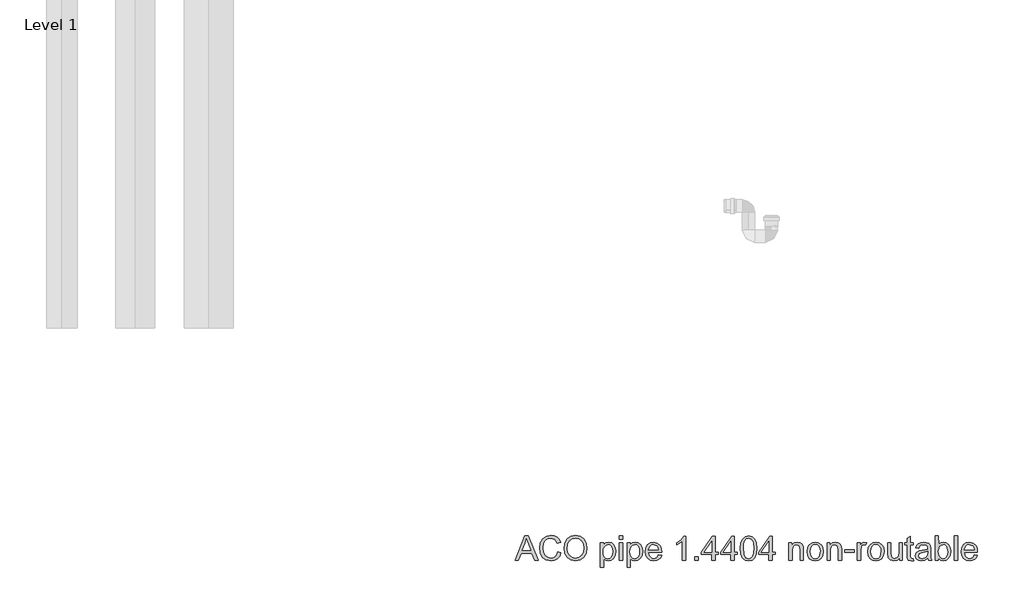
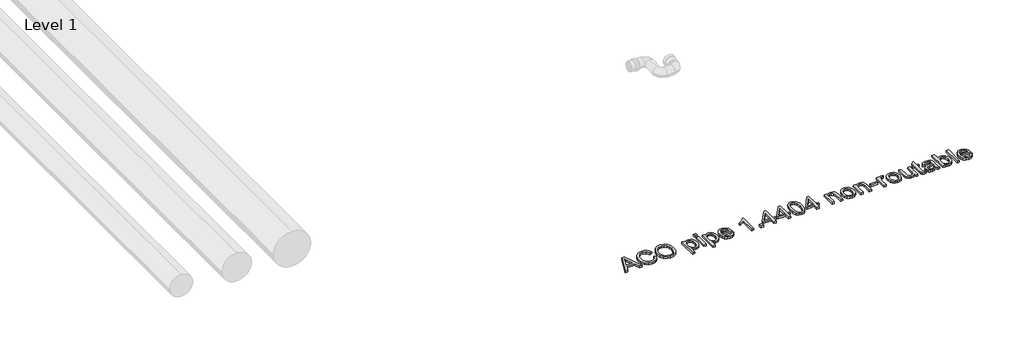
# One storey, part 11 of 13: 1 proxy.
"""IFC4 building model written with IfcOpenShell, lengths in millimetres."""

from ifc_helpers import new_model, si_unit, origin, origin_with_axes, place, context, project, spatial, polyline, outline, extrude, element, save

model = new_model("IFC4")

# Units and contexts
model_context = context("Model", 3, world=origin())
ifc_project = project(units=[si_unit("LENGTHUNIT", "METRE", prefix="MILLI")], contexts=[model_context])

# Site, building, storey
site = spatial("IfcSite", under=ifc_project)
building = spatial("IfcBuilding", under=site)
storey = spatial("IfcBuildingStorey", under=building, Name="Level 1", Elevation=0.0)

# Proxy
placement = place(None, origin())
element("IfcBuildingElementProxy", 1, Name="100mm ACO", ObjectType="100mm ACO", at=placement, inside=storey, context=model_context, shape_type="SweptSolid", body=[
    extrude(outline(polyline([(20667.5794394, -10719.2114353), (20653.7773561, -10719.2114353), (20641.7981894, -10689.5818057), (20599.3502728, -10689.5818057), (20587.8340691, -10719.2114353), (20574.0609209, -10719.2114353), (20612.9208746, -10619.2114353), (20627.0991154, -10619.2114353), (20667.5794394, -10719.2114353)]), holes=[polyline([(20637.2843005, -10678.4706946), (20622.8601107, -10641.8098149), (20619.8942542, -10630.1489353), (20615.2356894, -10648.7253242), (20603.6905505, -10678.4706946), (20637.2843005, -10678.4706946)])]), origin_with_axes(), (0.0, 0.0, 1.0), 10.0),
    extrude(outline(polyline([(20761.5609209, -10687.3827316), (20755.6472924, -10702.2083971), (20746.5290922, -10712.7154862), (20734.7416211, -10718.9763369), (20720.8201802, -10721.0632872), (20699.9145089, -10717.2076737), (20685.5771246, -10705.6408335), (20677.2871941, -10688.648646), (20674.5238839, -10668.5169909), (20677.7682415, -10647.1302721), (20687.5013144, -10630.9446529), (20702.3342137, -10620.7558508), (20720.8780505, -10617.3595835), (20734.1918526, -10619.1716494), (20745.4295552, -10624.6078473), (20754.09926, -10633.5379689), (20759.7090691, -10645.8318057), (20746.7461061, -10648.8410649), (20736.8936755, -10633.5777548), (20720.3861524, -10628.4706946), (20706.1645089, -10631.1797513), (20695.8491154, -10639.3069214), (20689.577414, -10651.9913832), (20687.4868468, -10668.3723149), (20689.7003885, -10686.7353068), (20696.3410135, -10699.6946529), (20706.5406663, -10707.3877953), (20719.4312913, -10709.9521761), (20729.9998677, -10708.3354226), (20738.3838376, -10703.4851622), (20744.583201, -10695.3869272), (20748.5979579, -10684.0262501), (20761.5609209, -10687.3827316)])), origin_with_axes(), (0.0, 0.0, 1.0), 10.0),
    extrude(outline(polyline([(20820.9069857, -10617.3595835), (20839.3965691, -10620.9330788), (20854.1824487, -10631.6535649), (20863.8829695, -10648.2261923), (20867.1164765, -10669.3561112), (20863.864885, -10690.3956078), (20854.1101107, -10706.8705788), (20839.3061466, -10717.5151101), (20820.9069857, -10721.0632872), (20802.0340112, -10717.3849017), (20787.2553654, -10706.3497455), (20777.7067542, -10690.0194504), (20774.5238839, -10670.4556483), (20777.750157, -10648.3744851), (20787.4289765, -10631.5522918), (20802.2510251, -10620.9077605), (20820.9069857, -10617.3595835)]), holes=[polyline([(20820.791245, -10709.9521761), (20834.2316385, -10707.2684376), (20844.8653191, -10699.2172223), (20851.8025297, -10686.3844677), (20854.1535135, -10669.3561112), (20851.7989128, -10651.9479804), (20844.7351107, -10639.0754399), (20834.1050471, -10631.1218809), (20821.0516616, -10628.4706946), (20807.7053075, -10631.0676274), (20796.9486524, -10638.8584261), (20789.8522982, -10652.0167015), (20787.4868468, -10670.7160649), (20789.8016616, -10686.5978647), (20796.7461061, -10699.1159492), (20807.3870204, -10707.2431193), (20820.791245, -10709.9521761)])]), origin_with_axes(), (0.0, 0.0, 1.0), 10.0),
    extrude(outline(polyline([(20935.7652033, -10655.6987038), (20944.2215112, -10647.7776969), (20955.8896246, -10645.1373612), (20968.2160135, -10647.7270603), (20977.6488839, -10655.4961575), (20983.6384672, -10667.4246876), (20985.634995, -10682.4926853), (20983.3780505, -10698.3817189), (20976.6072172, -10710.6321529), (20966.5522404, -10718.4555036), (20954.4428654, -10721.0632872), (20944.0696015, -10718.9365511), (20935.9822172, -10712.5563427), (20935.634995, -10746.9892131), (20922.672032, -10746.9892131), (20922.672032, -10646.9892131), (20935.634995, -10646.9892131), (20935.7652033, -10655.6987038)]), holes=[polyline([(20953.0250413, -10711.8040279), (20960.7977554, -10709.9774943), (20967.1020089, -10704.4978936), (20971.2795262, -10695.4013948), (20972.672032, -10682.7241668), (20971.3301628, -10670.6473439), (20967.3045552, -10661.7316899), (20961.1883804, -10656.2303879), (20953.5748098, -10654.3966205), (20945.6935887, -10656.4401679), (20939.3531663, -10662.5708103), (20935.1756489, -10671.956661), (20933.7831431, -10683.7658335), (20935.1177785, -10695.8788254), (20939.1216848, -10704.6715048), (20945.2667948, -10710.0208971), (20953.0250413, -10711.8040279)])]), origin_with_axes(), (0.0, 0.0, 1.0), 10.0),
    extrude(outline(polyline([(21013.4127728, -10719.2114353), (21000.4498098, -10719.2114353), (21000.4498098, -10646.9892131), (21013.4127728, -10646.9892131), (21013.4127728, -10719.2114353)])), origin_with_axes(), (0.0, 0.0, 1.0), 10.0),
    extrude(outline(polyline([(21013.4127728, -10632.1743983), (21000.4498098, -10632.1743983), (21000.4498098, -10619.2114353), (21013.4127728, -10619.2114353), (21013.4127728, -10632.1743983)])), origin_with_axes(), (0.0, 0.0, 1.0), 10.0),
    extrude(outline(polyline([(21045.0244626, -10655.6987038), (21053.4807704, -10647.7776969), (21065.1488839, -10645.1373612), (21077.4752728, -10647.7270603), (21086.9081431, -10655.4961575), (21092.8977265, -10667.4246876), (21094.8942542, -10682.4926853), (21092.6373098, -10698.3817189), (21085.8664765, -10710.6321529), (21075.8114996, -10718.4555036), (21063.7021246, -10721.0632872), (21053.3288607, -10718.9365511), (21045.2414765, -10712.5563427), (21044.8942542, -10746.9892131), (21031.9312913, -10746.9892131), (21031.9312913, -10646.9892131), (21044.8942542, -10646.9892131), (21045.0244626, -10655.6987038)]), holes=[polyline([(21062.2843005, -10711.8040279), (21070.0570147, -10709.9774943), (21076.3612681, -10704.4978936), (21080.5387855, -10695.4013948), (21081.9312913, -10682.7241668), (21080.5894221, -10670.6473439), (21076.5638144, -10661.7316899), (21070.4476397, -10656.2303879), (21062.8340691, -10654.3966205), (21054.952848, -10656.4401679), (21048.6124255, -10662.5708103), (21044.4349082, -10671.956661), (21043.0424024, -10683.7658335), (21044.3770378, -10695.8788254), (21048.3809441, -10704.6715048), (21054.526054, -10710.0208971), (21062.2843005, -10711.8040279)])]), origin_with_axes(), (0.0, 0.0, 1.0), 10.0),
    extrude(outline(polyline([(21172.672032, -10685.878102), (21118.9683283, -10685.878102), (21121.040811, -10697.0036807), (21125.7536292, -10705.1489353), (21132.5353133, -10710.1402548), (21140.8143931, -10711.8040279), (21152.4897404, -10708.1147918), (21159.7090691, -10696.9892131), (21172.672032, -10698.4938427), (21168.2955853, -10708.1147918), (21161.3583746, -10715.2183798), (21152.1135829, -10719.6020603), (21140.8143931, -10721.0632872), (21126.2274429, -10718.5567767), (21115.2212218, -10711.0372455), (21108.3093295, -10699.1774365), (21106.0053654, -10683.6500927), (21108.2261408, -10668.1118983), (21114.8884672, -10655.8144446), (21125.5872519, -10647.8066321), (21139.9174024, -10645.1373612), (21155.1373098, -10648.5951159), (21167.5649718, -10660.3717362), (21171.395267, -10670.9077605), (21172.672032, -10685.878102)]), holes=[polyline([(21159.7090691, -10676.6188427), (21157.6257357, -10666.4625927), (21152.8803654, -10659.6049538), (21139.5991154, -10654.3966205), (21131.7432126, -10655.9446529), (21125.4208746, -10660.5887501), (21118.9683283, -10676.6188427), (21159.7090691, -10676.6188427)])]), origin_with_axes(), (0.0, 0.0, 1.0), 10.0),
    extrude(outline(polyline([(21270.8201802, -10719.2114353), (21257.8572172, -10719.2114353), (21257.8572172, -10641.4336575), (21233.7831431, -10656.2484723), (21233.7831431, -10646.9892131), (21252.0557126, -10635.2704631), (21263.4127728, -10621.0632872), (21270.8201802, -10621.0632872), (21270.8201802, -10719.2114353)])), origin_with_axes(), (0.0, 0.0, 1.0), 10.0),
    extrude(outline(polyline([(21322.672032, -10719.2114353), (21307.8572172, -10719.2114353), (21307.8572172, -10704.3966205), (21322.672032, -10704.3966205), (21322.672032, -10719.2114353)])), origin_with_axes(), (0.0, 0.0, 1.0), 10.0),
    extrude(outline(polyline([(21404.1535135, -10695.1373612), (21391.1905505, -10695.1373612), (21391.1905505, -10719.2114353), (21378.2275876, -10719.2114353), (21378.2275876, -10695.1373612), (21335.634995, -10695.1373612), (21335.634995, -10685.878102), (21380.5424024, -10621.0632872), (21391.1905505, -10621.0632872), (21391.1905505, -10685.878102), (21404.1535135, -10685.878102), (21404.1535135, -10695.1373612)]), holes=[polyline([(21378.2275876, -10685.878102), (21378.2275876, -10639.9868983), (21346.4567542, -10685.878102), (21378.2275876, -10685.878102)])]), origin_with_axes(), (0.0, 0.0, 1.0), 10.0),
    extrude(outline(polyline([(21481.9312913, -10695.1373612), (21468.9683283, -10695.1373612), (21468.9683283, -10719.2114353), (21456.0053654, -10719.2114353), (21456.0053654, -10695.1373612), (21413.4127728, -10695.1373612), (21413.4127728, -10685.878102), (21458.3201802, -10621.0632872), (21468.9683283, -10621.0632872), (21468.9683283, -10685.878102), (21481.9312913, -10685.878102), (21481.9312913, -10695.1373612)]), holes=[polyline([(21456.0053654, -10685.878102), (21456.0053654, -10639.9868983), (21424.234532, -10685.878102), (21456.0053654, -10685.878102)])]), origin_with_axes(), (0.0, 0.0, 1.0), 10.0),
    extrude(outline(polyline([(21528.1986524, -10619.2114353), (21542.7946449, -10622.3979226), (21553.2203538, -10631.9573844), (21559.4757791, -10647.8898207), (21561.5609209, -10670.1952316), (21559.4052496, -10692.6670198), (21552.9382357, -10708.5198844), (21542.4419973, -10717.9274365), (21528.1986524, -10721.0632872), (21513.6279782, -10717.8840337), (21503.2203538, -10708.3462733), (21496.9757791, -10692.4500059), (21494.8942542, -10670.1952316), (21497.0499255, -10647.7270603), (21503.5169394, -10631.8271761), (21513.9987103, -10622.3653705), (21528.1986524, -10619.2114353)]), holes=[polyline([(21528.2275876, -10711.8040279), (21537.0672866, -10709.3698554), (21543.447495, -10702.0673381), (21547.3103422, -10689.2309666), (21548.5979579, -10670.1952316), (21546.3410135, -10645.9764816), (21539.5267774, -10632.8109723), (21528.0829116, -10628.4706946), (21519.2612971, -10630.9482698), (21512.9353422, -10638.3809955), (21509.1267485, -10651.289705), (21507.8572172, -10670.1952316), (21510.1575644, -10694.2548381), (21516.9718005, -10707.4637501), (21528.2275876, -10711.8040279)])]), origin_with_axes(), (0.0, 0.0, 1.0), 10.0),
    extrude(outline(polyline([(21637.4868468, -10695.1373612), (21624.5238839, -10695.1373612), (21624.5238839, -10719.2114353), (21611.5609209, -10719.2114353), (21611.5609209, -10695.1373612), (21568.9683283, -10695.1373612), (21568.9683283, -10685.878102), (21613.8757357, -10621.0632872), (21624.5238839, -10621.0632872), (21624.5238839, -10685.878102), (21637.4868468, -10685.878102), (21637.4868468, -10695.1373612)]), holes=[polyline([(21611.5609209, -10685.878102), (21611.5609209, -10639.9868983), (21579.7900876, -10685.878102), (21611.5609209, -10685.878102)])]), origin_with_axes(), (0.0, 0.0, 1.0), 10.0),
    extrude(outline(polyline([(21752.3016616, -10719.2114353), (21739.3386987, -10719.2114353), (21739.3386987, -10674.2461575), (21735.4758515, -10658.6500927), (21724.7264302, -10654.3966205), (21714.7003885, -10657.1165279), (21707.9874255, -10664.784352), (21706.0053654, -10678.7889816), (21706.0053654, -10719.2114353), (21693.0424024, -10719.2114353), (21693.0424024, -10646.9892131), (21704.1535135, -10646.9892131), (21704.1535135, -10657.0297223), (21714.0493468, -10648.1032177), (21727.3016616, -10645.1373612), (21738.6731894, -10647.1917594), (21747.4694857, -10653.3404862), (21751.4770089, -10662.0789122), (21752.3016616, -10674.6223149), (21752.3016616, -10719.2114353)])), origin_with_axes(), (0.0, 0.0, 1.0), 10.0),
    extrude(outline(polyline([(21800.4208746, -10645.1373612), (21813.5972346, -10647.5317478), (21824.30687, -10654.7149075), (21831.4140748, -10666.310683), (21833.7831431, -10681.9429168), (21831.2187623, -10700.2154862), (21823.52562, -10712.2091205), (21812.6206721, -10718.8497455), (21800.4208746, -10721.0632872), (21787.8304522, -10718.7882582), (21777.0267774, -10711.9631714), (21769.5940517, -10700.1974017), (21767.1164765, -10683.1003242), (21769.510863, -10666.383021), (21776.6940228, -10654.5412964), (21787.4145089, -10647.488345), (21800.4208746, -10645.1373612)]), holes=[polyline([(21800.4208746, -10711.8040279), (21809.2280216, -10709.7966494), (21815.6263144, -10703.774514), (21820.8201802, -10682.6373612), (21819.3517195, -10670.3543751), (21814.9463376, -10661.5146761), (21808.3780505, -10656.1761344), (21800.4208746, -10654.3966205), (21792.3081721, -10656.2014527), (21785.7941385, -10661.6159492), (21781.5081142, -10670.6039411), (21780.0794394, -10683.1292594), (21781.5334325, -10695.6111749), (21785.8954116, -10704.5846992), (21792.4347635, -10709.9991957), (21800.4208746, -10711.8040279)])]), origin_with_axes(), (0.0, 0.0, 1.0), 10.0),
    extrude(outline(polyline([(21907.8572172, -10719.2114353), (21894.8942542, -10719.2114353), (21894.8942542, -10674.2461575), (21891.031407, -10658.6500927), (21880.2819857, -10654.3966205), (21870.2559441, -10657.1165279), (21863.5429811, -10664.784352), (21861.5609209, -10678.7889816), (21861.5609209, -10719.2114353), (21848.5979579, -10719.2114353), (21848.5979579, -10646.9892131), (21859.7090691, -10646.9892131), (21859.7090691, -10657.0297223), (21869.6049024, -10648.1032177), (21882.8572172, -10645.1373612), (21894.228745, -10647.1917594), (21903.0250413, -10653.3404862), (21907.0325644, -10662.0789122), (21907.8572172, -10674.6223149), (21907.8572172, -10719.2114353)])), origin_with_axes(), (0.0, 0.0, 1.0), 10.0),
    extrude(outline(polyline([(21959.7090691, -10685.878102), (21920.8201802, -10685.878102), (21920.8201802, -10676.6188427), (21959.7090691, -10676.6188427), (21959.7090691, -10685.878102)])), origin_with_axes(), (0.0, 0.0, 1.0), 10.0),
    extrude(outline(polyline([(22011.5609209, -10647.9730094), (22007.509995, -10656.2484723), (21999.0030505, -10654.3966205), (21993.2087797, -10656.0242247), (21989.0204116, -10660.9070372), (21985.634995, -10679.1362038), (21985.634995, -10719.2114353), (21972.672032, -10719.2114353), (21972.672032, -10646.9892131), (21983.7831431, -10646.9892131), (21983.7831431, -10657.6952316), (21990.71312, -10648.2768288), (21999.1477265, -10645.1373612), (22011.5609209, -10647.9730094)])), origin_with_axes(), (0.0, 0.0, 1.0), 10.0),
    extrude(outline(polyline([(22048.5690228, -10645.1373612), (22061.7453827, -10647.5317478), (22072.4550181, -10654.7149075), (22079.562223, -10666.310683), (22081.9312913, -10681.9429168), (22079.3669105, -10700.2154862), (22071.6737681, -10712.2091205), (22060.7688202, -10718.8497455), (22048.5690228, -10721.0632872), (22035.9786003, -10718.7882582), (22025.1749255, -10711.9631714), (22017.7421998, -10700.1974017), (22015.2646246, -10683.1003242), (22017.6590112, -10666.383021), (22024.8421709, -10654.5412964), (22035.562657, -10647.488345), (22048.5690228, -10645.1373612)]), holes=[polyline([(22048.5690228, -10711.8040279), (22057.3761698, -10709.7966494), (22063.7744626, -10703.774514), (22068.9683283, -10682.6373612), (22067.4998677, -10670.3543751), (22063.0944857, -10661.5146761), (22056.5261987, -10656.1761344), (22048.5690228, -10654.3966205), (22040.4563202, -10656.2014527), (22033.9422866, -10661.6159492), (22029.6562623, -10670.6039411), (22028.2275876, -10683.1292594), (22029.6815806, -10695.6111749), (22034.0435598, -10704.5846992), (22040.5829116, -10709.9991957), (22048.5690228, -10711.8040279)])]), origin_with_axes(), (0.0, 0.0, 1.0), 10.0),
    extrude(outline(polyline([(22156.0053654, -10719.2114353), (22144.8942542, -10719.2114353), (22144.8942542, -10708.7079631), (22134.6511987, -10717.9744561), (22121.6882357, -10721.0632872), (22107.5678654, -10717.5476622), (22098.916245, -10707.8688427), (22096.7461061, -10691.8676853), (22096.7461061, -10646.9892131), (22109.7090691, -10646.9892131), (22109.7090691, -10687.9614353), (22110.6060598, -10702.0528705), (22115.2935598, -10709.0551853), (22124.3213376, -10711.8040279), (22137.0672866, -10706.8850464), (22141.5486235, -10699.3329631), (22143.0424024, -10686.5146761), (22143.0424024, -10646.9892131), (22156.0053654, -10646.9892131), (22156.0053654, -10719.2114353)])), origin_with_axes(), (0.0, 0.0, 1.0), 10.0),
    extrude(outline(polyline([(22202.3016616, -10720.2241668), (22193.2160135, -10721.0632872), (22181.6274718, -10718.1842362), (22177.1859209, -10710.878102), (22176.3757357, -10698.5517131), (22176.3757357, -10656.2484723), (22167.1164765, -10656.2484723), (22167.1164765, -10646.9892131), (22176.3757357, -10646.9892131), (22176.3757357, -10628.6443057), (22189.3386987, -10621.0632872), (22189.3386987, -10646.9892131), (22200.4498098, -10646.9892131), (22200.4498098, -10656.2484723), (22189.3386987, -10656.2484723), (22189.3386987, -10701.1558798), (22190.3803654, -10709.3734723), (22195.6755042, -10711.8040279), (22200.7102265, -10711.8040279), (22202.3016616, -10720.2241668)])), origin_with_axes(), (0.0, 0.0, 1.0), 10.0),
    extrude(outline(polyline([(22276.3757357, -10719.2114353), (22263.4127728, -10719.2114353), (22259.7090691, -10710.4730094), (22247.2163029, -10718.4157177), (22233.7542079, -10721.0632872), (22223.7679522, -10719.6165279), (22216.1471478, -10715.2762501), (22211.3185887, -10708.5632872), (22209.7090691, -10699.9984723), (22211.2860366, -10691.6904573), (22216.0169394, -10684.9955788), (22224.6468584, -10680.1019156), (22237.9208746, -10677.1975464), (22249.2634672, -10675.4614353), (22259.7090691, -10672.915139), (22259.3763144, -10664.8856251), (22257.437657, -10660.0100464), (22252.2727265, -10655.9446529), (22242.6951802, -10654.3966205), (22230.6147404, -10657.5360881), (22224.5238839, -10669.2114353), (22211.5609209, -10667.6200001), (22215.1163318, -10657.8109723), (22221.7895089, -10650.7797223), (22231.5732184, -10646.5479515), (22244.4602265, -10645.1373612), (22263.7165922, -10649.0002085), (22271.2686755, -10658.3173381), (22272.672032, -10672.3653705), (22272.672032, -10688.8873612), (22273.2218005, -10709.1419909), (22276.3757357, -10719.2114353)]), holes=[polyline([(22259.7090691, -10686.8040279), (22259.7090691, -10682.1743983), (22236.4307126, -10687.4984723), (22226.1117022, -10691.5566321), (22222.672032, -10699.7959261), (22226.3757357, -10708.4186112), (22237.0528191, -10711.8040279), (22252.8658978, -10706.1327316), (22257.9982762, -10698.4649075), (22259.7090691, -10686.8040279)])]), origin_with_axes(), (0.0, 0.0, 1.0), 10.0),
    extrude(outline(polyline([(22304.3271246, -10654.1362038), (22312.6893931, -10647.3870719), (22323.7715691, -10645.1373612), (22336.1956142, -10647.6836575), (22345.8635829, -10655.3225464), (22352.0810309, -10667.0702316), (22354.1535135, -10681.9429168), (22351.8748677, -10698.6783045), (22345.0389302, -10710.9793751), (22335.1503306, -10718.5423092), (22323.7136987, -10721.0632872), (22312.6966269, -10718.5893288), (22304.4139302, -10711.1674538), (22304.1535135, -10719.2114353), (22291.1905505, -10719.2114353), (22291.1905505, -10619.2114353), (22304.1535135, -10619.2114353), (22304.3271246, -10654.1362038)]), holes=[polyline([(22322.4984209, -10711.8040279), (22329.916679, -10709.9123902), (22335.9098792, -10704.237477), (22339.8703827, -10695.1409781), (22341.1905505, -10682.9845835), (22336.3294394, -10662.1078473), (22330.5424024, -10656.3244272), (22322.9035135, -10654.3966205), (22315.2790922, -10656.3859145), (22309.3039765, -10662.3537964), (22304.1535135, -10682.4926853), (22306.2947172, -10699.4487038), (22312.7472635, -10708.143727), (22322.4984209, -10711.8040279)])]), origin_with_axes(), (0.0, 0.0, 1.0), 10.0),
    extrude(outline(polyline([(22381.9312913, -10719.2114353), (22368.9683283, -10719.2114353), (22368.9683283, -10619.2114353), (22381.9312913, -10619.2114353), (22381.9312913, -10719.2114353)])), origin_with_axes(), (0.0, 0.0, 1.0), 10.0),
    extrude(outline(polyline([(22463.4127728, -10685.878102), (22409.7090691, -10685.878102), (22411.7815517, -10697.0036807), (22416.49437, -10705.1489353), (22423.276054, -10710.1402548), (22431.5551339, -10711.8040279), (22443.2304811, -10708.1147918), (22450.4498098, -10696.9892131), (22463.4127728, -10698.4938427), (22459.036326, -10708.1147918), (22452.0991154, -10715.2183798), (22442.8543237, -10719.6020603), (22431.5551339, -10721.0632872), (22416.9681836, -10718.5567767), (22405.9619626, -10711.0372455), (22399.0500702, -10699.1774365), (22396.7461061, -10683.6500927), (22398.9668816, -10668.1118983), (22405.6292079, -10655.8144446), (22416.3279927, -10647.8066321), (22430.6581431, -10645.1373612), (22445.8780505, -10648.5951159), (22458.3057126, -10660.3717362), (22462.1360077, -10670.9077605), (22463.4127728, -10685.878102)]), holes=[polyline([(22450.4498098, -10676.6188427), (22448.3664765, -10666.4625927), (22443.6211061, -10659.6049538), (22430.3398561, -10654.3966205), (22422.4839533, -10655.9446529), (22416.1616154, -10660.5887501), (22409.7090691, -10676.6188427), (22450.4498098, -10676.6188427)])]), origin_with_axes(), (0.0, 0.0, 1.0), 10.0),
])

save(model, "model.ifc")
